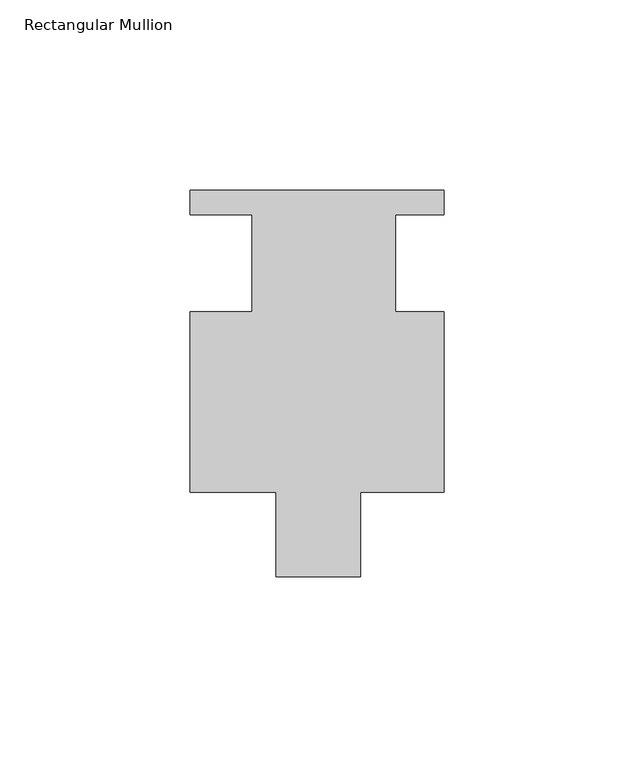
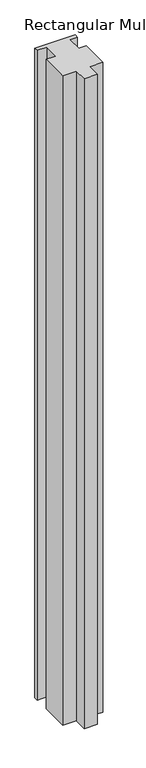
"""IFC4 building model written with IfcOpenShell, lengths in millimetres: member geometry, Rectangular Mullion."""

import ifcopenshell
import ifcopenshell.guid

model = None  # the IFC model being written
_history = None  # IfcOwnerHistory: only IFC2X3 demands one
_inside = {}  # id of a spatial element -> (the spatial element, [elements in it])
_under = {}  # id of a project, library or spatial element -> (it, [spatial elements below it])
_declared = {}  # id of a project -> (the project, [libraries it declares])
_typed = {}  # id of a type object -> (the type object, [elements of that type])
_made_of = {}  # id of a material, layer set ... -> (it, [elements and type objects made of it])


def new_model(schema):
    """Start an empty IFC model of exactly this schema.

    Asked for "IFC4X3", IfcOpenShell would pick the latest addendum, in which some entities
    have other attributes; the version numbers below select the first issue.
    IFC2X3 requires an IfcOwnerHistory on every rooted entity: one is made here for all.
    """
    global model, _history
    if schema == "IFC4X3":
        model = ifcopenshell.file(schema_version=(4, 3, 0, 0))
    else:
        model = ifcopenshell.file(schema=schema)
    _inside.clear()
    _under.clear()
    _declared.clear()
    _typed.clear()
    _made_of.clear()
    _history = None
    if model.schema == "IFC2X3":
        org = make("IfcOrganization", Name="unknown")
        user = make(
            "IfcPersonAndOrganization",
            ThePerson=make("IfcPerson", FamilyName="unknown"),
            TheOrganization=org,
        )
        app = make(
            "IfcApplication",
            ApplicationDeveloper=org,
            Version="unknown",
            ApplicationFullName="unknown",
            ApplicationIdentifier="unknown",
        )
        _history = make(
            "IfcOwnerHistory",
            OwningUser=user,
            OwningApplication=app,
            ChangeAction="ADDED",
            CreationDate=0,
        )
    return model


def make(cls, **values):
    """One entity of the class cls with the attributes given. An attribute that is None is left unset."""
    return model.create_entity(
        cls, **{name: value for name, value in values.items() if value is not None}
    )


def rooted(cls, **values):
    """An entity with a GlobalId (a new one), such as an element, a storey or a relation."""
    return make(cls, GlobalId=ifcopenshell.guid.new(), OwnerHistory=_history, **values)


def si_unit(unit_type, name, prefix=None):
    """IfcSIUnit, for example si_unit("LENGTHUNIT", "METRE", prefix="MILLI")."""
    return make("IfcSIUnit", UnitType=unit_type, Prefix=prefix, Name=name)


def assignment(units):
    """IfcUnitAssignment: the units of a project."""
    return None if units is None else make("IfcUnitAssignment", Units=units)


def point(xyz):
    """IfcCartesianPoint."""
    return None if xyz is None else make("IfcCartesianPoint", Coordinates=xyz)


def direction(xyz):
    """IfcDirection."""
    return None if xyz is None else make("IfcDirection", DirectionRatios=xyz)


def frame(location, z_axis=None, x_axis=None):
    """IfcAxis2Placement3D, a coordinate frame: its origin and axes. An axis left out is left unset."""
    return make(
        "IfcAxis2Placement3D",
        Location=point(location),
        Axis=direction(z_axis),
        RefDirection=direction(x_axis),
    )


def origin():
    """The frame at (0, 0, 0) with its axes left unset."""
    return frame((0.0, 0.0, 0.0))


def place(relative_to, where):
    """IfcLocalPlacement: puts the frame where relative to a parent placement (None: the world)."""
    return make(
        "IfcLocalPlacement", PlacementRelTo=relative_to, RelativePlacement=where
    )


def context(
    kind, dimensions, precision=None, world=None, true_north=None, identifier=None
):
    """IfcGeometricRepresentationContext, for example the 3D "Model" context."""
    return make(
        "IfcGeometricRepresentationContext",
        ContextIdentifier=identifier,
        ContextType=kind,
        CoordinateSpaceDimension=dimensions,
        Precision=precision,
        WorldCoordinateSystem=world,
        TrueNorth=true_north,
    )


def project(units=None, contexts=None):
    """IfcProject with its units and contexts."""
    return rooted(
        "IfcProject",
        Name="project",
        RepresentationContexts=contexts,
        UnitsInContext=assignment(units),
    )


def spatial(cls, under=None, at=None, **own):
    """A site, building, storey or space (cls), placed at a placement, below another one or the project."""
    s = rooted(cls, ObjectPlacement=at, **own)
    if under is not None:
        _under.setdefault(under.id(), (under, []))[1].append(s)
    return s


def polyline(points):
    """IfcPolyline through the points."""
    return make("IfcPolyline", Points=[point(p) for p in points])


def outline(outer, holes=None, kind="AREA"):
    """IfcArbitraryClosedProfileDef: a profile drawn as a closed curve; with holes, ...WithVoids."""
    if holes is None:
        return make("IfcArbitraryClosedProfileDef", ProfileType=kind, OuterCurve=outer)
    return make(
        "IfcArbitraryProfileDefWithVoids",
        ProfileType=kind,
        OuterCurve=outer,
        InnerCurves=holes,
    )


def extrude(swept, where, along, depth):
    """IfcExtrudedAreaSolid: the profile swept, set in the frame where, extruded along a direction by depth."""
    return make(
        "IfcExtrudedAreaSolid",
        SweptArea=swept,
        Position=where,
        ExtrudedDirection=direction(along),
        Depth=depth,
    )


def shape(context_of_items, identifier, shape_type, items):
    """IfcShapeRepresentation: the items that make up one representation, for example the "Body"."""
    return make(
        "IfcShapeRepresentation",
        ContextOfItems=context_of_items,
        RepresentationIdentifier=identifier,
        RepresentationType=shape_type,
        Items=items,
    )


def source(mapping_origin, context_of_items, identifier, shape_type, items):
    """IfcRepresentationMap: a shape defined once, which mapped items show again and again."""
    return make(
        "IfcRepresentationMap",
        MappingOrigin=mapping_origin,
        MappedRepresentation=shape(context_of_items, identifier, shape_type, items),
    )


def transform(
    local_origin,
    x_axis=None,
    y_axis=None,
    z_axis=None,
    scale=None,
    scale2=None,
    scale3=None,
    uniform=True,
):
    """IfcCartesianTransformationOperator3D, or its non-uniform kind. x_axis, y_axis, z_axis: its Axis1, 2, 3."""
    if uniform:
        return make(
            "IfcCartesianTransformationOperator3D",
            Axis1=direction(x_axis),
            Axis2=direction(y_axis),
            LocalOrigin=point(local_origin),
            Scale=scale,
            Axis3=direction(z_axis),
        )
    return make(
        "IfcCartesianTransformationOperator3DnonUniform",
        Axis1=direction(x_axis),
        Axis2=direction(y_axis),
        LocalOrigin=point(local_origin),
        Scale=scale,
        Axis3=direction(z_axis),
        Scale2=scale2,
        Scale3=scale3,
    )


def mapped(mapping_source, mapping_target):
    """IfcMappedItem: shows the shape of a source again, moved by a transform."""
    return make(
        "IfcMappedItem", MappingSource=mapping_source, MappingTarget=mapping_target
    )


def made_of(thing, what):
    """Note that an element or type object is made of a material, layer set ...; save() writes the relation."""
    if what is not None:
        _made_of.setdefault(what.id(), (what, []))[1].append(thing)
    return thing


def element(
    cls,
    number,
    at=None,
    inside=None,
    cuts=None,
    type_object=None,
    material=None,
    context=None,
    identifier="Body",
    shape_type=None,
    held_by="IfcProductDefinitionShape",
    body=None,
    shapes=None,
    **own,
):
    """One element of the class cls, such as IfcWall. Its Tag is "e" and its number.

    at: its placement. inside: the storey or other place that contains it. cuts: it is an
    opening in that element (IfcRelVoidsElement). A single representation is given by context,
    identifier, shape_type and body (its items); several are given by shapes. held_by: the class
    of the entity that holds the representations. save() writes the other relations.
    """
    e = rooted(cls, Tag="e%d" % number, ObjectPlacement=at, **own)
    if body is not None:
        shapes = [shape(context, identifier, shape_type, body)]
    if shapes is not None:
        e.Representation = make(held_by, Representations=shapes)
    if inside is not None:
        _inside.setdefault(inside.id(), (inside, []))[1].append(e)
    if cuts is not None:
        rooted(
            "IfcRelVoidsElement", RelatingBuildingElement=cuts, RelatedOpeningElement=e
        )
    if type_object is not None:
        _typed.setdefault(type_object.id(), (type_object, []))[1].append(e)
    return made_of(e, material)


def aggregate(whole, parts):
    """IfcRelAggregates: a whole, such as a stair, and the parts it consists of."""
    return rooted("IfcRelAggregates", RelatingObject=whole, RelatedObjects=parts)


def save(model, path):
    """Write the relations noted so far, then the file.

    IfcRelAggregates (storeys below a building ...), IfcRelContainedInSpatialStructure (elements
    in a storey), IfcRelDefinesByType, IfcRelAssociatesMaterial and IfcRelDeclares: one each for
    every whole, place, type object, material and project.
    """
    for whole, parts in _under.values():
        aggregate(whole, parts)
    for where, things in _inside.values():
        rooted(
            "IfcRelContainedInSpatialStructure",
            RelatedElements=things,
            RelatingStructure=where,
        )
    for kind, things in _typed.values():
        rooted("IfcRelDefinesByType", RelatedObjects=things, RelatingType=kind)
    for what, things in _made_of.values():
        rooted("IfcRelAssociatesMaterial", RelatedObjects=things, RelatingMaterial=what)
    for by, libraries in _declared.values():
        rooted("IfcRelDeclares", RelatingContext=by, RelatedDefinitions=libraries)
    model.write(path)


def rectangular_mullion_3849ddbc(model_context):
    return source(origin(), model_context, "Body", "SweptSolid", [
        extrude(outline(polyline([(15.8437777, -73.025), (-6.3812223, -73.025), (-6.3812223, -50.8), (-29.0030973, -50.8), (-29.0030973, -3.302), (-12.7312223, -3.302), (-12.7312223, 22.098), (-29.0030973, 22.098), (-29.0030973, 28.575), (37.6719027, 28.575), (37.6719027, 22.098), (24.9701322, 22.098), (24.9701322, -3.302), (37.6719027, -3.302), (37.6719027, -50.8), (15.8437777, -50.8), (15.8437777, -73.025)])), frame((0.0, 0.0, -1137.0780973), z_axis=(0.0, 0.0, 1.0), x_axis=(1.0, 0.0, 0.0)), (0.0, 0.0, 1.0), 1137.0780973),
    ])


if __name__ == "__main__":
    model = new_model("IFC4")
    model_context = context("Model", 3, world=origin())
    ifc_project = project(units=[si_unit("LENGTHUNIT", "METRE", prefix="MILLI")], contexts=[model_context])
    site = spatial("IfcSite", under=ifc_project)
    building = spatial("IfcBuilding", under=site)
    placement = place(None, origin())
    rectangular_mullion_shape = rectangular_mullion_3849ddbc(model_context)
    element("IfcMember", 1, ObjectType="Rectangular Mullion", at=placement, inside=building, context=model_context, shape_type="MappedRepresentation", body=[
        mapped(rectangular_mullion_shape, transform((0.0, 0.0, 0.0), x_axis=(1.0, 0.0, 0.0), y_axis=(0.0, 1.0, 0.0), z_axis=(0.0, 0.0, 1.0))),
    ])
    save(model, "model.ifc")
